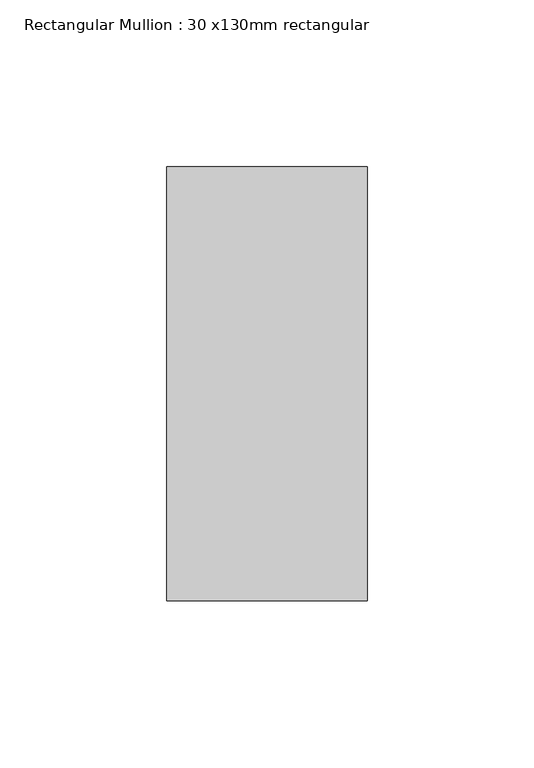
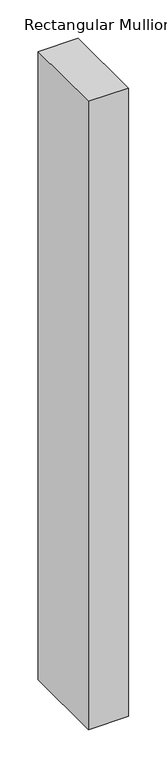
"""IFC4 building model written with IfcOpenShell, lengths in millimetres: member geometry, Rectangular Mullion : 30 x130mm rectangular."""

from ifc_helpers import new_model, si_unit, frame, origin, place, context, project, spatial, polyline, outline, extrude, source, transform, mapped, element, save


def rectangular_mullion_30_x130mm_rectangular_832b1368(model_context):
    return source(origin(), model_context, "Body", "SweptSolid", [
        extrude(outline(polyline([(0.0, 65.0), (0.0, -65.0), (-60.0, -65.0), (-60.0, 65.0), (0.0, 65.0)])), frame((0.0, 0.0, -995.898228), z_axis=(0.0, 0.0, 1.0), x_axis=(1.0, 0.0, 0.0)), (0.0, 0.0, 1.0), 995.898228),
    ])


if __name__ == "__main__":
    model = new_model("IFC4")
    model_context = context("Model", 3, world=origin())
    ifc_project = project(units=[si_unit("LENGTHUNIT", "METRE", prefix="MILLI")], contexts=[model_context])
    site = spatial("IfcSite", under=ifc_project)
    building = spatial("IfcBuilding", under=site)
    placement = place(None, origin())
    rectangular_mullion_30_x130mm_rectangular_shape = rectangular_mullion_30_x130mm_rectangular_832b1368(model_context)
    element("IfcMember", 1, ObjectType="Rectangular Mullion : 30 x130mm rectangular", at=placement, inside=building, context=model_context, shape_type="MappedRepresentation", body=[
        mapped(rectangular_mullion_30_x130mm_rectangular_shape, transform((0.0, 0.0, 0.0), x_axis=(1.0, 0.0, 0.0), y_axis=(0.0, 1.0, 0.0), z_axis=(0.0, 0.0, 1.0))),
    ])
    save(model, "model.ifc")
